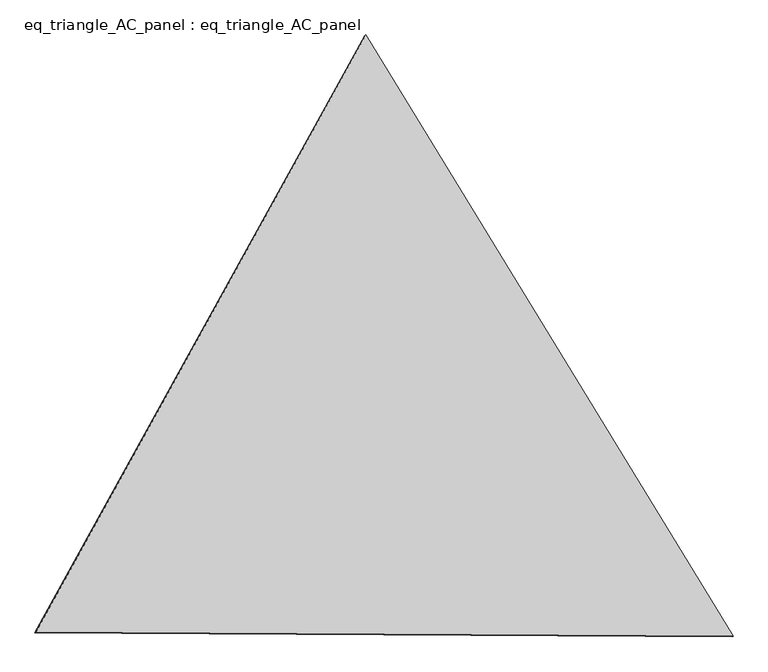
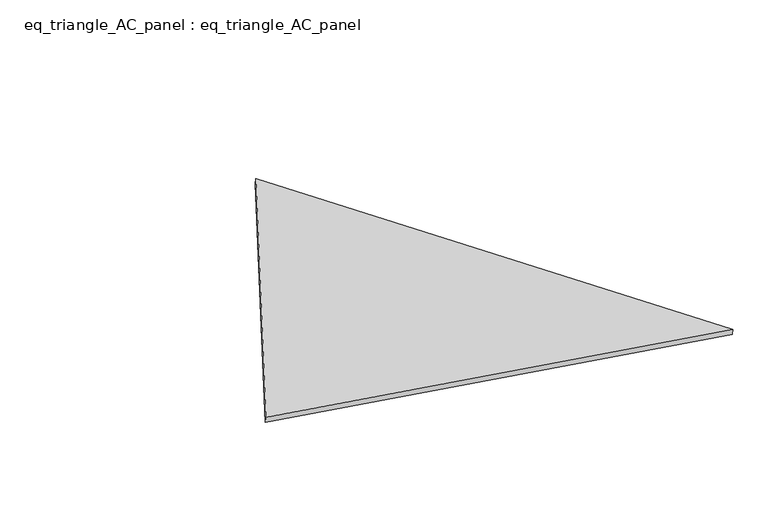
"""IFC4 building model written with IfcOpenShell, lengths in millimetres: proxy geometry, eq_triangle_AC_panel : eq_triangle_AC_panel."""

from ifc_helpers import new_model, si_unit, frame, origin, place, context, project, spatial, polyline, outline, extrude, source, transform, mapped, element, save


def eq_triangle_ac_panel_eq_triangle_ac_panel_1080eed7(model_context):
    return source(origin(), model_context, "Body", "SweptSolid", [
        extrude(outline(polyline([(-2032.5662011, 1173.0977631), (2091.3294244, 1173.0977631), (-58.7632235, -2346.1955263), (-2032.5662011, 1173.0977631)])), frame((-6.3631761, 524.2531996, 46.6143561), z_axis=(0.14526328518056936, 0.0838657028179993, 0.9858321976225932), x_axis=(0.5212225818264447, -0.8534104299354307, -0.004202174627337097)), (0.0, 0.0, 1.0), 43.8306294),
    ])


if __name__ == "__main__":
    model = new_model("IFC4")
    model_context = context("Model", 3, world=origin())
    ifc_project = project(units=[si_unit("LENGTHUNIT", "METRE", prefix="MILLI")], contexts=[model_context])
    site = spatial("IfcSite", under=ifc_project)
    building = spatial("IfcBuilding", under=site)
    placement = place(None, origin())
    eq_triangle_ac_panel_eq_triangle_ac_panel_shape = eq_triangle_ac_panel_eq_triangle_ac_panel_1080eed7(model_context)
    element("IfcBuildingElementProxy", 1, Name="eq_triangle_AC_panel : eq_triangle_AC_panel", ObjectType="eq_triangle_AC_panel : eq_triangle_AC_panel", at=placement, inside=building, context=model_context, shape_type="MappedRepresentation", body=[
        mapped(eq_triangle_ac_panel_eq_triangle_ac_panel_shape, transform((0.0, 0.0, 0.0), x_axis=(1.0, 0.0, 0.0), y_axis=(0.0, 1.0, 0.0), z_axis=(0.0, 0.0, 1.0))),
    ])
    save(model, "model.ifc")
